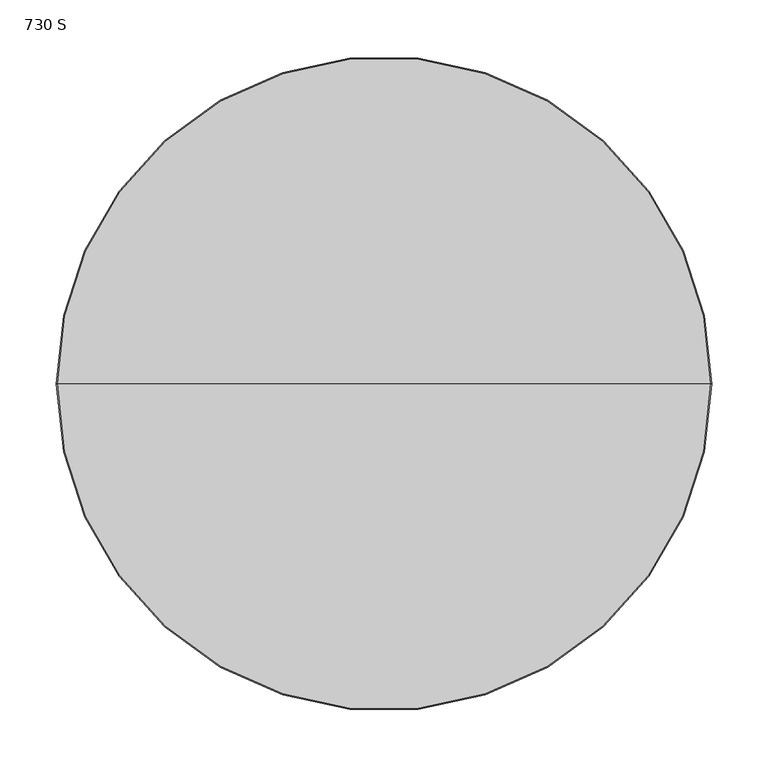
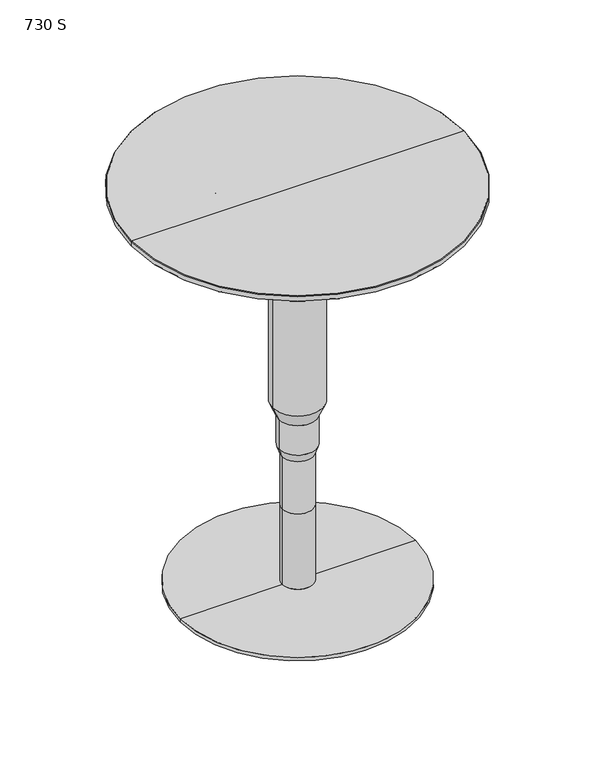
"""IFC4 building model written with IfcOpenShell, lengths in millimetres: furniture geometry, 730 S."""

from ifc_helpers import new_model, si_unit, frame, origin, place, context, project, spatial, polyline, circle_curve, source, transform, mapped, element, save
from ifc_brep_helpers import plane_surface, cylinder_surface, revolved_surface, advanced_brep


def furniture_730_s_9faddfe7(model_context):
    return source(origin(), model_context, "Body", "AdvancedBrep", [
        advanced_brep(
        [(26.9893151, 0.0, 615.9523172), (-26.9893151, 0.0, 615.9523172), (0.0, 0.0, 615.9523172), (26.9893151, 0.0, 577.4254696), (-26.9893151, 0.0, 577.4254696), (43.9805266, 0.0, 561.3992762), (-43.9805266, 0.0, 561.3992762), (43.9805266, 0.0, 337.4116836), (-43.9805266, 0.0, 337.4116836), (32.5037042, 0.0, 311.4251249), (-32.5037042, 0.0, 311.4251249), (32.5037042, 0.0, 257.4185766), (-32.5037042, 0.0, 257.4185766), (27.0172332, 0.0, 241.5078107), (-27.0172332, 0.0, 241.5078107), (27.0172332, 0.0, 145.4999867), (-27.0172332, 0.0, 145.4999867), (0.0, 0.0, 145.4999867)],
        [
            (0, 1, circle_curve(frame((0.0, 0.0, 615.9523172), z_axis=(0.0, 0.0, 1.0), x_axis=(-1.0, 0.0, 0.0)), 26.9893151)),
            (1, 2),
            (2, 0),
            (1, 0, circle_curve(frame((0.0, 0.0, 615.9523172), z_axis=(0.0, 0.0, 1.0), x_axis=(-1.0, 0.0, 0.0)), 26.9893151)),
            (3, 4, circle_curve(frame((0.0, 0.0, 577.4254696), z_axis=(0.0, 0.0, 1.0), x_axis=(-1.0, 0.0, 0.0)), 26.9893151)),
            (4, 1),
            (0, 3),
            (4, 3, circle_curve(frame((0.0, 0.0, 577.4254696), z_axis=(0.0, 0.0, 1.0), x_axis=(-1.0, 0.0, 0.0)), 26.9893151)),
            (5, 6, circle_curve(frame((0.0, 0.0, 561.3992762), z_axis=(0.0, 0.0, 1.0), x_axis=(-1.0, 0.0, 0.0)), 43.9805266)),
            (6, 4),
            (3, 5),
            (6, 5, circle_curve(frame((0.0, 0.0, 561.3992762), z_axis=(0.0, 0.0, 1.0), x_axis=(-1.0, 0.0, 0.0)), 43.9805266)),
            (7, 8, circle_curve(frame((0.0, 0.0, 337.4116836), z_axis=(0.0, 0.0, 1.0), x_axis=(-1.0, 0.0, 0.0)), 43.9805266)),
            (8, 6),
            (5, 7),
            (8, 7, circle_curve(frame((0.0, 0.0, 337.4116836), z_axis=(0.0, 0.0, 1.0), x_axis=(-1.0, 0.0, 0.0)), 43.9805266)),
            (9, 10, circle_curve(frame((0.0, 0.0, 311.4251249), z_axis=(0.0, 0.0, 1.0), x_axis=(-1.0, 0.0, 0.0)), 32.5037042)),
            (10, 8),
            (7, 9),
            (10, 9, circle_curve(frame((0.0, 0.0, 311.4251249), z_axis=(0.0, 0.0, 1.0), x_axis=(-1.0, 0.0, 0.0)), 32.5037042)),
            (11, 12, circle_curve(frame((0.0, 0.0, 257.4185766), z_axis=(0.0, 0.0, 1.0), x_axis=(-1.0, 0.0, 0.0)), 32.5037042)),
            (12, 10),
            (9, 11),
            (12, 11, circle_curve(frame((0.0, 0.0, 257.4185766), z_axis=(0.0, 0.0, 1.0), x_axis=(-1.0, 0.0, 0.0)), 32.5037042)),
            (13, 14, circle_curve(frame((0.0, 0.0, 241.5078107), z_axis=(0.0, 0.0, 1.0), x_axis=(-1.0, 0.0, 0.0)), 27.0172332)),
            (14, 12),
            (11, 13),
            (14, 13, circle_curve(frame((0.0, 0.0, 241.5078107), z_axis=(0.0, 0.0, 1.0), x_axis=(-1.0, 0.0, 0.0)), 27.0172332)),
            (15, 16, circle_curve(frame((0.0, 0.0, 145.4999867), z_axis=(0.0, 0.0, 1.0), x_axis=(-1.0, 0.0, 0.0)), 27.0172332)),
            (16, 14),
            (13, 15),
            (16, 15, circle_curve(frame((0.0, 0.0, 145.4999867), z_axis=(0.0, 0.0, 1.0), x_axis=(-1.0, 0.0, 0.0)), 27.0172332)),
            (17, 16),
            (15, 17),
        ],
        [
            plane_surface(frame((0.0, 0.0, 615.9523172), z_axis=(0.0, 0.0, 1.0), x_axis=(-1.0, 0.0, 0.0))),
            cylinder_surface(frame((0.0, 0.0, 615.4058246), z_axis=(0.0, 0.0, -1.0), x_axis=(-1.0, 0.0, 0.0)), 26.9893151),
            revolved_surface(polyline([(-26.9893151, 0.0, 577.4254696), (-43.9805266, 0.0, 561.3992762)]), (0.0, 0.0, 615.4058246), (0.0, 0.0, -1.0)),
            cylinder_surface(frame((0.0, 0.0, 615.4058246), z_axis=(0.0, 0.0, -1.0), x_axis=(-1.0, 0.0, 0.0)), 43.9805266),
            revolved_surface(polyline([(-43.9805266, 0.0, 337.4116836), (-32.5037042, 0.0, 311.4251249)]), (0.0, 0.0, 615.4058246), (0.0, 0.0, -1.0)),
            cylinder_surface(frame((0.0, 0.0, 615.4058246), z_axis=(0.0, 0.0, -1.0), x_axis=(-1.0, 0.0, 0.0)), 32.5037042),
            revolved_surface(polyline([(-32.5037042, 0.0, 257.4185766), (-27.0172332, 0.0, 241.5078107)]), (0.0, 0.0, 615.4058246), (0.0, 0.0, -1.0)),
            cylinder_surface(frame((0.0, 0.0, 615.4058246), z_axis=(0.0, 0.0, -1.0), x_axis=(-1.0, 0.0, 0.0)), 27.0172332),
            plane_surface(frame((0.0, 0.0, 145.4999867), z_axis=(0.0, 0.0, -1.0), x_axis=(-1.0, 0.0, 0.0))),
        ],
        [
            (0, [[1, 2, 3]]),
            (0, [[4, -3, -2]]),
            (1, [[5, 6, -1, 7]]),
            (1, [[8, -7, -4, -6]]),
            (2, [[9, 10, -5, 11]]),
            (2, [[12, -11, -8, -10]]),
            (3, [[13, 14, -9, 15]]),
            (3, [[16, -15, -12, -14]]),
            (4, [[17, 18, -13, 19]]),
            (4, [[20, -19, -16, -18]]),
            (5, [[21, 22, -17, 23]]),
            (5, [[24, -23, -20, -22]]),
            (6, [[25, 26, -21, 27]]),
            (6, [[28, -27, -24, -26]]),
            (7, [[29, 30, -25, 31]]),
            (7, [[32, -31, -28, -30]]),
            (8, [[33, -29, 34]]),
            (8, [[-34, -32, -33]]),
        ],
    ),
        advanced_brep(
        [(0.0, 0.0, 615.9523172), (-27.0000008, 0.0, 615.9523172), (27.0000008, 0.0, 615.9523172), (289.0000015, 0.0, 729.9523355), (-289.0000015, 0.0, 729.9523355), (0.0, 0.0, 729.9523355), (289.9999774, 0.0, 728.9523597), (-289.9999774, 0.0, 728.9523597), (289.9999774, 0.0, 720.9376251), (-289.9999774, 0.0, 720.9376251), (289.0147168, 0.0, 719.9523645), (-289.0147168, 0.0, 719.9523645), (125.000001, 0.0, 719.9523645), (-125.000001, 0.0, 719.9523645), (125.000001, 0.0, 715.9522453), (-125.000001, 0.0, 715.9522453), (27.0000008, 0.0, 715.9522453), (-27.0000008, 0.0, 715.9522453)],
        [
            (0, 1),
            (1, 2, circle_curve(frame((0.0, 0.0, 615.9523172), z_axis=(0.0, 0.0, -1.0), x_axis=(-1.0, 0.0, 0.0)), 27.0000008)),
            (2, 0),
            (2, 1, circle_curve(frame((0.0, 0.0, 615.9523172), z_axis=(0.0, 0.0, -1.0), x_axis=(-1.0, 0.0, 0.0)), 27.0000008)),
            (3, 4, circle_curve(frame((0.0, 0.0, 729.9523355), z_axis=(0.0, 0.0, 1.0), x_axis=(-1.0, 0.0, 0.0)), 289.0000015)),
            (4, 5),
            (5, 3),
            (4, 3, circle_curve(frame((0.0, 0.0, 729.9523355), z_axis=(0.0, 0.0, 1.0), x_axis=(-1.0, 0.0, 0.0)), 289.0000015)),
            (6, 7, circle_curve(frame((0.0, 0.0, 728.9523597), z_axis=(0.0, 0.0, 1.0), x_axis=(-1.0, 0.0, 0.0)), 289.9999774)),
            (7, 4),
            (3, 6),
            (7, 6, circle_curve(frame((0.0, 0.0, 728.9523597), z_axis=(0.0, 0.0, 1.0), x_axis=(-1.0, 0.0, 0.0)), 289.9999774)),
            (8, 9, circle_curve(frame((0.0, 0.0, 720.9376251), z_axis=(0.0, 0.0, 1.0), x_axis=(-1.0, 0.0, 0.0)), 289.9999774)),
            (9, 7),
            (6, 8),
            (9, 8, circle_curve(frame((0.0, 0.0, 720.9376251), z_axis=(0.0, 0.0, 1.0), x_axis=(-1.0, 0.0, 0.0)), 289.9999774)),
            (10, 11, circle_curve(frame((0.0, 0.0, 719.9523645), z_axis=(0.0, 0.0, 1.0), x_axis=(-1.0, 0.0, 0.0)), 289.0147168)),
            (11, 9),
            (8, 10),
            (11, 10, circle_curve(frame((0.0, 0.0, 719.9523645), z_axis=(0.0, 0.0, 1.0), x_axis=(-1.0, 0.0, 0.0)), 289.0147168)),
            (12, 13, circle_curve(frame((0.0, 0.0, 719.9523645), z_axis=(0.0, 0.0, 1.0), x_axis=(-1.0, 0.0, 0.0)), 125.000001)),
            (13, 11),
            (10, 12),
            (13, 12, circle_curve(frame((0.0, 0.0, 719.9523645), z_axis=(0.0, 0.0, 1.0), x_axis=(-1.0, 0.0, 0.0)), 125.000001)),
            (14, 15, circle_curve(frame((0.0, 0.0, 715.9522453), z_axis=(0.0, 0.0, 1.0), x_axis=(-1.0, 0.0, 0.0)), 125.000001)),
            (15, 13),
            (12, 14),
            (15, 14, circle_curve(frame((0.0, 0.0, 715.9522453), z_axis=(0.0, 0.0, 1.0), x_axis=(-1.0, 0.0, 0.0)), 125.000001)),
            (16, 17, circle_curve(frame((0.0, 0.0, 715.9522453), z_axis=(0.0, 0.0, 1.0), x_axis=(-1.0, 0.0, 0.0)), 27.0000008)),
            (17, 15),
            (14, 16),
            (17, 16, circle_curve(frame((0.0, 0.0, 715.9522453), z_axis=(0.0, 0.0, 1.0), x_axis=(-1.0, 0.0, 0.0)), 27.0000008)),
            (1, 17),
            (16, 2),
        ],
        [
            plane_surface(frame((0.0, 0.0, 615.9523172), z_axis=(0.0, 0.0, -1.0), x_axis=(-1.0, 0.0, 0.0))),
            plane_surface(frame((0.0, 0.0, 729.9523355), z_axis=(0.0, 0.0, 1.0), x_axis=(-1.0, 0.0, 0.0))),
            revolved_surface(polyline([(-289.0000015, 0.0, 729.9523355), (-289.9999774, 0.0, 728.9523597)]), (0.0, 0.0, 609.6023172), (0.0, 0.0, -1.0)),
            cylinder_surface(frame((0.0, 0.0, 609.6023172), z_axis=(0.0, 0.0, -1.0), x_axis=(-1.0, 0.0, 0.0)), 289.9999774),
            revolved_surface(polyline([(-289.9999774, 0.0, 720.9376251), (-289.0147168, 0.0, 719.9523645)]), (0.0, 0.0, 609.6023172), (0.0, 0.0, -1.0)),
            plane_surface(frame((0.0, 0.0, 719.9523645), z_axis=(0.0, 0.0, -1.0), x_axis=(-1.0, 0.0, 0.0))),
            cylinder_surface(frame((0.0, 0.0, 609.6023172), z_axis=(0.0, 0.0, -1.0), x_axis=(-1.0, 0.0, 0.0)), 125.000001),
            plane_surface(frame((0.0, 0.0, 715.9522453), z_axis=(0.0, 0.0, -1.0), x_axis=(-1.0, 0.0, 0.0))),
            cylinder_surface(frame((0.0, 0.0, 609.6023172), z_axis=(0.0, 0.0, -1.0), x_axis=(-1.0, 0.0, 0.0)), 27.0000008),
        ],
        [
            (0, [[1, 2, 3]]),
            (0, [[-3, 4, -1]]),
            (1, [[5, 6, 7]]),
            (1, [[8, -7, -6]]),
            (2, [[9, 10, -5, 11]]),
            (2, [[12, -11, -8, -10]]),
            (3, [[13, 14, -9, 15]]),
            (3, [[16, -15, -12, -14]]),
            (4, [[17, 18, -13, 19]]),
            (4, [[20, -19, -16, -18]]),
            (5, [[21, 22, -17, 23]]),
            (5, [[24, -23, -20, -22]]),
            (6, [[25, 26, -21, 27]]),
            (6, [[28, -27, -24, -26]]),
            (7, [[29, 30, -25, 31]]),
            (7, [[32, -31, -28, -30]]),
            (8, [[-2, 33, -29, 34]]),
            (8, [[-4, -34, -32, -33]]),
        ],
    ),
        advanced_brep(
        [(0.0, 0.0, 0.0), (-205.0000052, 0.0, 0.0), (205.0000052, 0.0, 0.0), (27.0000008, 0.0, 145.4999867), (-27.0000008, 0.0, 145.4999867), (0.0, 0.0, 145.4999867), (27.0000008, 0.0, 6.9129723), (-27.0000008, 0.0, 6.9129723), (26.0876426, 0.0, 6.9129723), (-26.0876426, 0.0, 6.9129723), (26.0876426, 0.0, 5.9999964), (-26.0876426, 0.0, 5.9999964), (205.0000052, 0.0, 5.9999964), (-205.0000052, 0.0, 5.9999964)],
        [
            (0, 1),
            (1, 2, circle_curve(frame((0.0, 0.0, 0.0), z_axis=(0.0, 0.0, -1.0), x_axis=(-1.0, 0.0, 0.0)), 205.0000052)),
            (2, 0),
            (2, 1, circle_curve(frame((0.0, 0.0, 0.0), z_axis=(0.0, 0.0, -1.0), x_axis=(-1.0, 0.0, 0.0)), 205.0000052)),
            (3, 4, circle_curve(frame((0.0, 0.0, 145.4999867), z_axis=(0.0, 0.0, 1.0), x_axis=(-1.0, 0.0, 0.0)), 27.0000008)),
            (4, 5),
            (5, 3),
            (4, 3, circle_curve(frame((0.0, 0.0, 145.4999867), z_axis=(0.0, 0.0, 1.0), x_axis=(-1.0, 0.0, 0.0)), 27.0000008)),
            (6, 7, circle_curve(frame((0.0, 0.0, 6.9129723), z_axis=(0.0, 0.0, 1.0), x_axis=(-1.0, 0.0, 0.0)), 27.0000008)),
            (7, 4),
            (3, 6),
            (7, 6, circle_curve(frame((0.0, 0.0, 6.9129723), z_axis=(0.0, 0.0, 1.0), x_axis=(-1.0, 0.0, 0.0)), 27.0000008)),
            (8, 9, circle_curve(frame((0.0, 0.0, 6.9129723), z_axis=(0.0, 0.0, 1.0), x_axis=(-1.0, 0.0, 0.0)), 26.0876426)),
            (9, 7),
            (6, 8),
            (9, 8, circle_curve(frame((0.0, 0.0, 6.9129723), z_axis=(0.0, 0.0, 1.0), x_axis=(-1.0, 0.0, 0.0)), 26.0876426)),
            (10, 11, circle_curve(frame((0.0, 0.0, 5.9999964), z_axis=(0.0, 0.0, 1.0), x_axis=(-1.0, 0.0, 0.0)), 26.0876426)),
            (11, 9),
            (8, 10),
            (11, 10, circle_curve(frame((0.0, 0.0, 5.9999964), z_axis=(0.0, 0.0, 1.0), x_axis=(-1.0, 0.0, 0.0)), 26.0876426)),
            (12, 13, circle_curve(frame((0.0, 0.0, 5.9999964), z_axis=(0.0, 0.0, 1.0), x_axis=(-1.0, 0.0, 0.0)), 205.0000052)),
            (13, 11),
            (10, 12),
            (13, 12, circle_curve(frame((0.0, 0.0, 5.9999964), z_axis=(0.0, 0.0, 1.0), x_axis=(-1.0, 0.0, 0.0)), 205.0000052)),
            (1, 13),
            (12, 2),
        ],
        [
            plane_surface(frame((0.0, 0.0, 0.0), z_axis=(0.0, 0.0, -1.0), x_axis=(-1.0, 0.0, 0.0))),
            plane_surface(frame((0.0, 0.0, 145.4999867), z_axis=(0.0, 0.0, 1.0), x_axis=(-1.0, 0.0, 0.0))),
            cylinder_surface(frame((0.0, 0.0, -19.05), z_axis=(0.0, 0.0, -1.0), x_axis=(-1.0, 0.0, 0.0)), 27.0000008),
            plane_surface(frame((0.0, 0.0, 6.9129723), z_axis=(0.0, 0.0, -1.0), x_axis=(-1.0, 0.0, 0.0))),
            cylinder_surface(frame((0.0, 0.0, -19.05), z_axis=(0.0, 0.0, -1.0), x_axis=(-1.0, 0.0, 0.0)), 26.0876426),
            plane_surface(frame((0.0, 0.0, 5.9999964), z_axis=(0.0, 0.0, 1.0), x_axis=(-1.0, 0.0, 0.0))),
            cylinder_surface(frame((0.0, 0.0, -19.05), z_axis=(0.0, 0.0, -1.0), x_axis=(-1.0, 0.0, 0.0)), 205.0000052),
        ],
        [
            (0, [[1, 2, 3]]),
            (0, [[-3, 4, -1]]),
            (1, [[5, 6, 7]]),
            (1, [[8, -7, -6]]),
            (2, [[9, 10, -5, 11]]),
            (2, [[12, -11, -8, -10]]),
            (3, [[13, 14, -9, 15]]),
            (3, [[16, -15, -12, -14]]),
            (4, [[17, 18, -13, 19]]),
            (4, [[20, -19, -16, -18]]),
            (5, [[21, 22, -17, 23]]),
            (5, [[24, -23, -20, -22]]),
            (6, [[-2, 25, -21, 26]]),
            (6, [[-4, -26, -24, -25]]),
        ],
    ),
    ])


if __name__ == "__main__":
    model = new_model("IFC4")
    model_context = context("Model", 3, world=origin())
    ifc_project = project(units=[si_unit("LENGTHUNIT", "METRE", prefix="MILLI")], contexts=[model_context])
    site = spatial("IfcSite", under=ifc_project)
    building = spatial("IfcBuilding", under=site)
    placement = place(None, origin())
    furniture_730_s_shape = furniture_730_s_9faddfe7(model_context)
    element("IfcFurniture", 1, ObjectType="730 S", at=placement, inside=building, context=model_context, shape_type="MappedRepresentation", body=[
        mapped(furniture_730_s_shape, transform((0.0, 0.0, 0.0), x_axis=(1.0, 0.0, 0.0), y_axis=(0.0, 1.0, 0.0), z_axis=(0.0, 0.0, 1.0))),
    ])
    save(model, "model.ifc")
